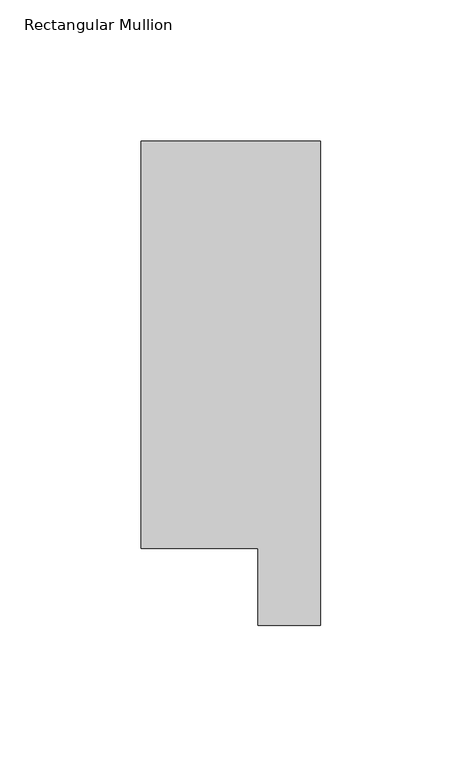
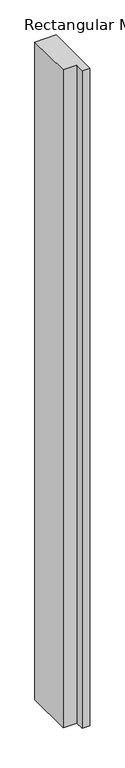
"""IFC4 building model written with IfcOpenShell, lengths in millimetres: member geometry, Rectangular Mullion."""

from ifc_helpers import new_model, si_unit, frame, origin, place, context, project, spatial, polyline, outline, extrude, source, transform, mapped, element, save


def rectangular_mullion_54496cfc(model_context):
    return source(origin(), model_context, "Body", "SweptSolid", [
        extrude(outline(polyline([(31.7499998, 19.5667313), (9.5377002, 19.5667313), (9.5377002, 46.7447302), (-31.7499998, 46.7447302), (-31.7499998, 190.7881313), (31.7499998, 190.7881313), (31.7499998, 19.5667313)])), frame((0.0, 0.0, -2057.4), z_axis=(0.0, 0.0, 1.0), x_axis=(1.0, 0.0, 0.0)), (0.0, 0.0, 1.0), 2057.4),
    ])


if __name__ == "__main__":
    model = new_model("IFC4")
    model_context = context("Model", 3, world=origin())
    ifc_project = project(units=[si_unit("LENGTHUNIT", "METRE", prefix="MILLI")], contexts=[model_context])
    site = spatial("IfcSite", under=ifc_project)
    building = spatial("IfcBuilding", under=site)
    placement = place(None, origin())
    rectangular_mullion_shape = rectangular_mullion_54496cfc(model_context)
    element("IfcMember", 1, ObjectType="Rectangular Mullion", at=placement, inside=building, context=model_context, shape_type="MappedRepresentation", body=[
        mapped(rectangular_mullion_shape, transform((0.0, 0.0, 0.0), x_axis=(1.0, 0.0, 0.0), y_axis=(0.0, 1.0, 0.0), z_axis=(0.0, 0.0, 1.0))),
    ])
    save(model, "model.ifc")
